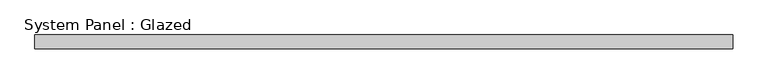
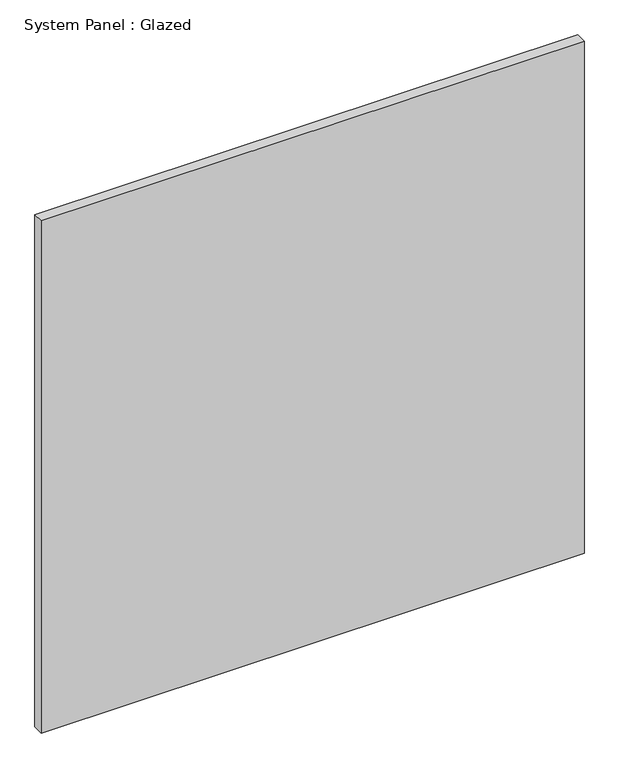
"""IFC4 building model written with IfcOpenShell, lengths in millimetres: plate geometry, System Panel : Glazed."""

from ifc_helpers import new_model, si_unit, origin, origin_with_axes, place, context, project, spatial, polyline, outline, extrude, source, transform, mapped, element, save


def system_panel_glazed_973c1739(model_context):
    return source(origin(), model_context, "Body", "SweptSolid", [
        extrude(outline(polyline([(639.7772725, 19.05), (-639.7772725, 19.05), (-639.7772725, 44.45), (639.7772725, 44.45), (639.7772725, 19.05)])), origin_with_axes(), (0.0, 0.0, 1.0), 1276.35),
    ])


if __name__ == "__main__":
    model = new_model("IFC4")
    model_context = context("Model", 3, world=origin())
    ifc_project = project(units=[si_unit("LENGTHUNIT", "METRE", prefix="MILLI")], contexts=[model_context])
    site = spatial("IfcSite", under=ifc_project)
    building = spatial("IfcBuilding", under=site)
    placement = place(None, origin())
    system_panel_glazed_shape = system_panel_glazed_973c1739(model_context)
    element("IfcPlate", 1, ObjectType="System Panel : Glazed", at=placement, inside=building, context=model_context, shape_type="MappedRepresentation", body=[
        mapped(system_panel_glazed_shape, transform((0.0, 0.0, 0.0), x_axis=(1.0, 0.0, 0.0), y_axis=(0.0, 1.0, 0.0), z_axis=(0.0, 0.0, 1.0))),
    ])
    save(model, "model.ifc")
